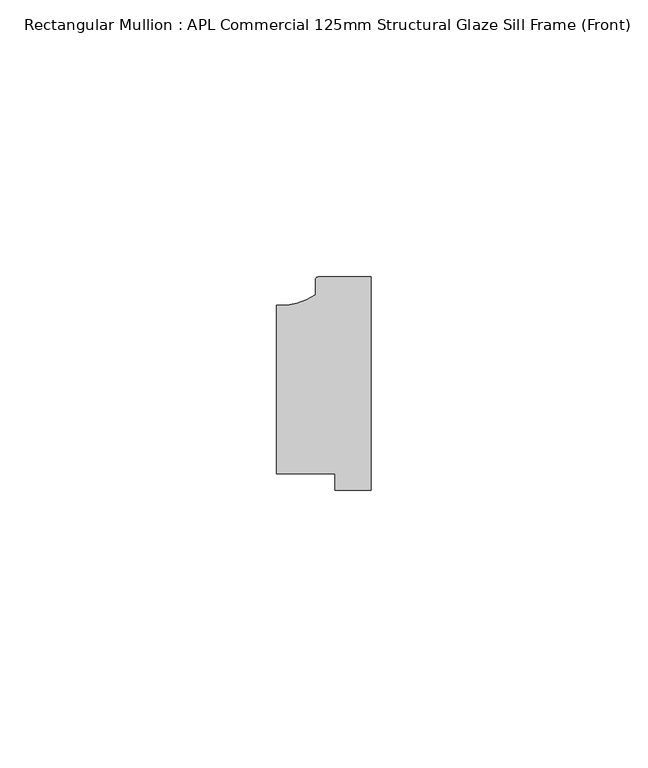
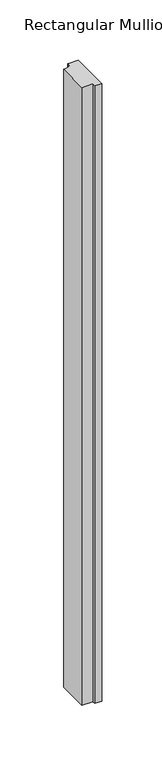
"""IFC4 building model written with IfcOpenShell, lengths in millimetres: member geometry, Rectangular Mullion : APL Commercial 125mm Structural Glaze Sill Frame (Front)."""

from ifc_helpers import new_model, si_unit, point, frame, frame_2d, origin, place, context, project, spatial, polyline, circle_curve, trimmed, segment, composite_curve, outline, extrude, source, transform, mapped, element, save


def rectangular_mullion_apl_commercial_125mm_structural_glaze_8d4109f3(model_context):
    return source(origin(), model_context, "Body", "SweptSolid", [
        extrude(outline(composite_curve([segment(trimmed(circle_curve(frame_2d((-16.1098048, 25.7977481)), 10.4563907), [point((-16.999942, 15.3793144))], [point((-10.0, 17.3120901))], True, "CARTESIAN"), True, "CONTINUOUS"), segment(polyline([(-10.0, 17.3120901), (-10.0, 19.9980675)]), True, "CONTINUOUS"), segment(trimmed(circle_curve(frame_2d((-9.5000029, 19.99978)), 0.5), [point((-10.0, 19.9980675))], [point((-9.5000029, 20.49978))], False, "CARTESIAN"), True, "CONTINUOUS"), segment(polyline([(-9.5000029, 20.49978), (0.0, 20.49978), (0.0, -18.0281616), (-6.5000029, -18.0281616), (-6.5000029, -15.0004332), (-16.999942, -15.0004332), (-16.999942, 15.3793144)]), True, "CONTINUOUS")], self_intersect=False)), frame((0.0, 0.0, -624.3722924), z_axis=(0.0, 0.0, 1.0), x_axis=(1.0, 0.0, 0.0)), (0.0, 0.0, 1.0), 624.3722924),
    ])


if __name__ == "__main__":
    model = new_model("IFC4")
    model_context = context("Model", 3, world=origin())
    ifc_project = project(units=[si_unit("LENGTHUNIT", "METRE", prefix="MILLI")], contexts=[model_context])
    site = spatial("IfcSite", under=ifc_project)
    building = spatial("IfcBuilding", under=site)
    placement = place(None, origin())
    rectangular_mullion_apl_commercial_125mm_structural_glaze_shape = rectangular_mullion_apl_commercial_125mm_structural_glaze_8d4109f3(model_context)
    element("IfcMember", 1, ObjectType="Rectangular Mullion : APL Commercial 125mm Structural Glaze Sill Frame (Front)", at=placement, inside=building, context=model_context, shape_type="MappedRepresentation", body=[
        mapped(rectangular_mullion_apl_commercial_125mm_structural_glaze_shape, transform((0.0, 0.0, 0.0), x_axis=(1.0, 0.0, 0.0), y_axis=(0.0, 1.0, 0.0), z_axis=(0.0, 0.0, 1.0))),
    ])
    save(model, "model.ifc")
